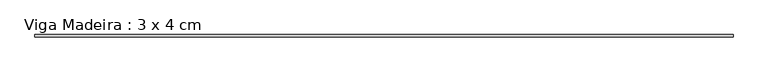
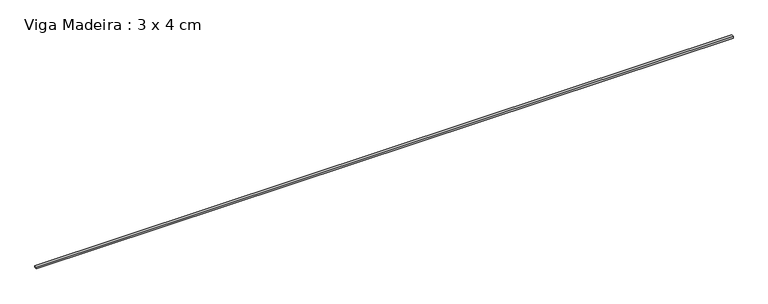
"""IFC4 building model written with IfcOpenShell, lengths in millimetres: beam geometry, Viga Madeira : 3 x 4 cm."""

from ifc_helpers import new_model, si_unit, frame, origin, place, context, project, spatial, polyline, outline, extrude, source, transform, mapped, element, save


def viga_madeira_3_x_4_cm_535525fc(model_context):
    return source(origin(), model_context, "Body", "SweptSolid", [
        extrude(outline(polyline([(5680.1321402, 20.0), (5680.1321402, -20.0), (-5680.1321402, -20.0), (-5680.1321402, 20.0), (5680.1321402, 20.0)])), frame((0.0, 0.0, -15.0), z_axis=(0.0, 0.0, 1.0), x_axis=(1.0, 0.0, 0.0)), (0.0, 0.0, 1.0), 30.0),
    ])


if __name__ == "__main__":
    model = new_model("IFC4")
    model_context = context("Model", 3, world=origin())
    ifc_project = project(units=[si_unit("LENGTHUNIT", "METRE", prefix="MILLI")], contexts=[model_context])
    site = spatial("IfcSite", under=ifc_project)
    building = spatial("IfcBuilding", under=site)
    placement = place(None, origin())
    viga_madeira_3_x_4_cm_shape = viga_madeira_3_x_4_cm_535525fc(model_context)
    element("IfcBeam", 1, ObjectType="Viga Madeira : 3 x 4 cm", at=placement, inside=building, context=model_context, shape_type="MappedRepresentation", body=[
        mapped(viga_madeira_3_x_4_cm_shape, transform((0.0, 0.0, 0.0), x_axis=(1.0, 0.0, 0.0), y_axis=(0.0, 1.0, 0.0), z_axis=(0.0, 0.0, 1.0))),
    ])
    save(model, "model.ifc")
